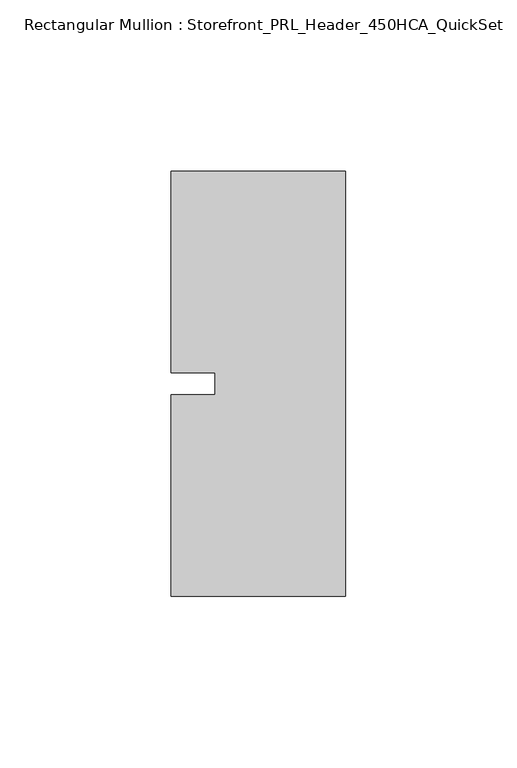
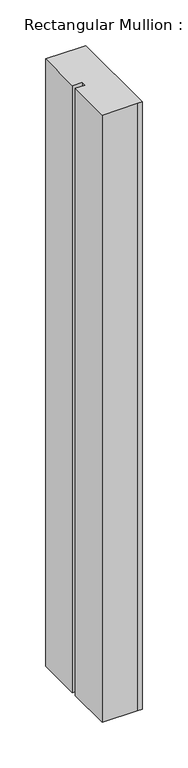
"""IFC4 building model written with IfcOpenShell, lengths in millimetres: member geometry, Rectangular Mullion : Storefront_PRL_Header_450HCA_QuickSet."""

from ifc_helpers import new_model, si_unit, frame, origin, place, context, project, spatial, polyline, outline, extrude, source, transform, mapped, element, save


def rectangular_mullion_storefront_prl_header_450hca_quickset_ea8e2c25(model_context):
    return source(origin(), model_context, "Body", "SweptSolid", [
        extrude(outline(polyline([(-38.1, -3.175), (-38.1, 3.175), (-50.8, 3.175), (-50.8, 61.9125), (-7.7254924, 61.9125), (0.0, 61.9125), (0.0, -61.9125), (-6.35, -61.9125), (-50.8, -61.9125), (-50.8, -3.175), (-38.1, -3.175)])), frame((0.0, 0.0, -812.8), z_axis=(0.0, 0.0, 1.0), x_axis=(1.0, 0.0, 0.0)), (0.0, 0.0, 1.0), 812.8),
    ])


if __name__ == "__main__":
    model = new_model("IFC4")
    model_context = context("Model", 3, world=origin())
    ifc_project = project(units=[si_unit("LENGTHUNIT", "METRE", prefix="MILLI")], contexts=[model_context])
    site = spatial("IfcSite", under=ifc_project)
    building = spatial("IfcBuilding", under=site)
    placement = place(None, origin())
    rectangular_mullion_storefront_prl_header_450hca_quickset_shape = rectangular_mullion_storefront_prl_header_450hca_quickset_ea8e2c25(model_context)
    element("IfcMember", 1, ObjectType="Rectangular Mullion : Storefront_PRL_Header_450HCA_QuickSet", at=placement, inside=building, context=model_context, shape_type="MappedRepresentation", body=[
        mapped(rectangular_mullion_storefront_prl_header_450hca_quickset_shape, transform((0.0, 0.0, 0.0), x_axis=(1.0, 0.0, 0.0), y_axis=(0.0, 1.0, 0.0), z_axis=(0.0, 0.0, 1.0))),
    ])
    save(model, "model.ifc")
